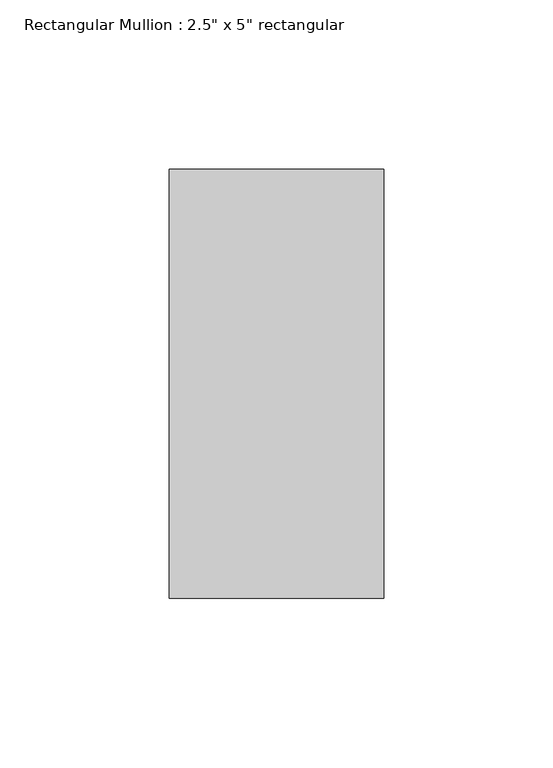
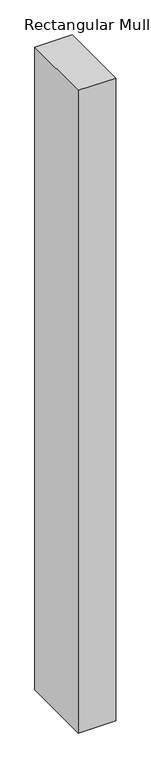
"""IFC4 building model written with IfcOpenShell, lengths in millimetres: member geometry."""

from ifc_helpers import new_model, si_unit, frame, origin, place, context, project, spatial, polyline, outline, extrude, source, transform, mapped, element, save


def member_52191b32(model_context):
    return source(origin(), model_context, "Body", "SweptSolid", [
        extrude(outline(polyline([(0.0, 63.5), (0.0, -63.5), (-63.5, -63.5), (-63.5, 63.5), (0.0, 63.5)])), frame((0.0, 0.0, -1148.0800002), z_axis=(0.0, 0.0, 1.0), x_axis=(1.0, 0.0, 0.0)), (0.0, 0.0, 1.0), 1148.0800002),
    ])


if __name__ == "__main__":
    model = new_model("IFC4")
    model_context = context("Model", 3, world=origin())
    ifc_project = project(units=[si_unit("LENGTHUNIT", "METRE", prefix="MILLI")], contexts=[model_context])
    site = spatial("IfcSite", under=ifc_project)
    building = spatial("IfcBuilding", under=site)
    placement = place(None, origin())
    member_shape = member_52191b32(model_context)
    element("IfcMember", 1, ObjectType="Rectangular Mullion : 2.5\" x 5\" rectangular", at=placement, inside=building, context=model_context, shape_type="MappedRepresentation", body=[
        mapped(member_shape, transform((0.0, 0.0, 0.0), x_axis=(1.0, 0.0, 0.0), y_axis=(0.0, 1.0, 0.0), z_axis=(0.0, 0.0, 1.0))),
    ])
    save(model, "model.ifc")
